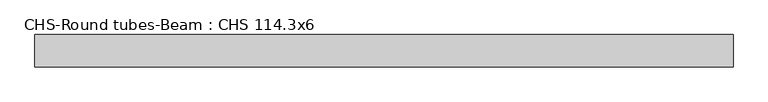
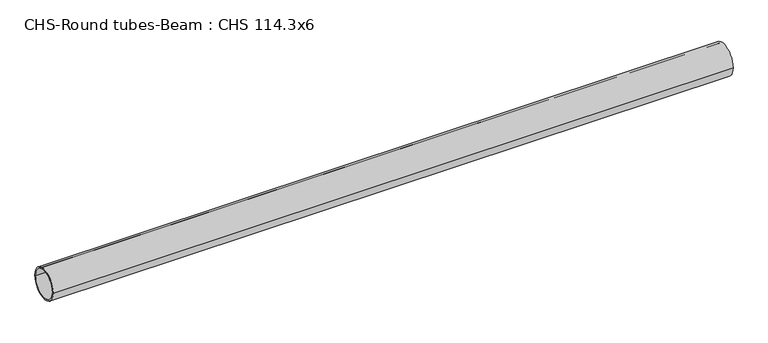
"""IFC4 building model written with IfcOpenShell, lengths in millimetres: beam geometry, CHS-Round tubes-Beam : CHS 114.3x6."""

import ifcopenshell
import ifcopenshell.guid

model = None  # the IFC model being written
_history = None  # IfcOwnerHistory: only IFC2X3 demands one
_inside = {}  # id of a spatial element -> (the spatial element, [elements in it])
_under = {}  # id of a project, library or spatial element -> (it, [spatial elements below it])
_declared = {}  # id of a project -> (the project, [libraries it declares])
_typed = {}  # id of a type object -> (the type object, [elements of that type])
_made_of = {}  # id of a material, layer set ... -> (it, [elements and type objects made of it])


def new_model(schema):
    """Start an empty IFC model of exactly this schema.

    Asked for "IFC4X3", IfcOpenShell would pick the latest addendum, in which some entities
    have other attributes; the version numbers below select the first issue.
    IFC2X3 requires an IfcOwnerHistory on every rooted entity: one is made here for all.
    """
    global model, _history
    if schema == "IFC4X3":
        model = ifcopenshell.file(schema_version=(4, 3, 0, 0))
    else:
        model = ifcopenshell.file(schema=schema)
    _inside.clear()
    _under.clear()
    _declared.clear()
    _typed.clear()
    _made_of.clear()
    _history = None
    if model.schema == "IFC2X3":
        org = make("IfcOrganization", Name="unknown")
        user = make(
            "IfcPersonAndOrganization",
            ThePerson=make("IfcPerson", FamilyName="unknown"),
            TheOrganization=org,
        )
        app = make(
            "IfcApplication",
            ApplicationDeveloper=org,
            Version="unknown",
            ApplicationFullName="unknown",
            ApplicationIdentifier="unknown",
        )
        _history = make(
            "IfcOwnerHistory",
            OwningUser=user,
            OwningApplication=app,
            ChangeAction="ADDED",
            CreationDate=0,
        )
    return model


def make(cls, **values):
    """One entity of the class cls with the attributes given. An attribute that is None is left unset."""
    return model.create_entity(
        cls, **{name: value for name, value in values.items() if value is not None}
    )


def rooted(cls, **values):
    """An entity with a GlobalId (a new one), such as an element, a storey or a relation."""
    return make(cls, GlobalId=ifcopenshell.guid.new(), OwnerHistory=_history, **values)


def si_unit(unit_type, name, prefix=None):
    """IfcSIUnit, for example si_unit("LENGTHUNIT", "METRE", prefix="MILLI")."""
    return make("IfcSIUnit", UnitType=unit_type, Prefix=prefix, Name=name)


def assignment(units):
    """IfcUnitAssignment: the units of a project."""
    return None if units is None else make("IfcUnitAssignment", Units=units)


def point(xyz):
    """IfcCartesianPoint."""
    return None if xyz is None else make("IfcCartesianPoint", Coordinates=xyz)


def direction(xyz):
    """IfcDirection."""
    return None if xyz is None else make("IfcDirection", DirectionRatios=xyz)


def frame(location, z_axis=None, x_axis=None):
    """IfcAxis2Placement3D, a coordinate frame: its origin and axes. An axis left out is left unset."""
    return make(
        "IfcAxis2Placement3D",
        Location=point(location),
        Axis=direction(z_axis),
        RefDirection=direction(x_axis),
    )


def frame_2d(location, x_axis=None):
    """IfcAxis2Placement2D, a coordinate frame in the plane: its origin and x axis."""
    return make(
        "IfcAxis2Placement2D", Location=point(location), RefDirection=direction(x_axis)
    )


def origin():
    """The frame at (0, 0, 0) with its axes left unset."""
    return frame((0.0, 0.0, 0.0))


def origin_2d():
    """The frame at (0, 0) in the plane with its x axis left unset."""
    return frame_2d((0.0, 0.0))


def place(relative_to, where):
    """IfcLocalPlacement: puts the frame where relative to a parent placement (None: the world)."""
    return make(
        "IfcLocalPlacement", PlacementRelTo=relative_to, RelativePlacement=where
    )


def context(
    kind, dimensions, precision=None, world=None, true_north=None, identifier=None
):
    """IfcGeometricRepresentationContext, for example the 3D "Model" context."""
    return make(
        "IfcGeometricRepresentationContext",
        ContextIdentifier=identifier,
        ContextType=kind,
        CoordinateSpaceDimension=dimensions,
        Precision=precision,
        WorldCoordinateSystem=world,
        TrueNorth=true_north,
    )


def project(units=None, contexts=None):
    """IfcProject with its units and contexts."""
    return rooted(
        "IfcProject",
        Name="project",
        RepresentationContexts=contexts,
        UnitsInContext=assignment(units),
    )


def spatial(cls, under=None, at=None, **own):
    """A site, building, storey or space (cls), placed at a placement, below another one or the project."""
    s = rooted(cls, ObjectPlacement=at, **own)
    if under is not None:
        _under.setdefault(under.id(), (under, []))[1].append(s)
    return s


def circle_curve(where, radius):
    """IfcCircle in the frame where."""
    return make("IfcCircle", Position=where, Radius=radius)


def trimmed(basis, trim1, trim2, sense, master):
    """IfcTrimmedCurve: the piece of a basis curve between two trims."""
    return make(
        "IfcTrimmedCurve",
        BasisCurve=basis,
        Trim1=trim1,
        Trim2=trim2,
        SenseAgreement=sense,
        MasterRepresentation=master,
    )


def segment(curve, same_sense, transition):
    """IfcCompositeCurveSegment."""
    return make(
        "IfcCompositeCurveSegment",
        Transition=transition,
        SameSense=same_sense,
        ParentCurve=curve,
    )


def composite_curve(segments, self_intersect=None):
    """IfcCompositeCurve: segments joined end to end."""
    return make("IfcCompositeCurve", Segments=segments, SelfIntersect=self_intersect)


def outline(outer, holes=None, kind="AREA"):
    """IfcArbitraryClosedProfileDef: a profile drawn as a closed curve; with holes, ...WithVoids."""
    if holes is None:
        return make("IfcArbitraryClosedProfileDef", ProfileType=kind, OuterCurve=outer)
    return make(
        "IfcArbitraryProfileDefWithVoids",
        ProfileType=kind,
        OuterCurve=outer,
        InnerCurves=holes,
    )


def extrude(swept, where, along, depth):
    """IfcExtrudedAreaSolid: the profile swept, set in the frame where, extruded along a direction by depth."""
    return make(
        "IfcExtrudedAreaSolid",
        SweptArea=swept,
        Position=where,
        ExtrudedDirection=direction(along),
        Depth=depth,
    )


def shape(context_of_items, identifier, shape_type, items):
    """IfcShapeRepresentation: the items that make up one representation, for example the "Body"."""
    return make(
        "IfcShapeRepresentation",
        ContextOfItems=context_of_items,
        RepresentationIdentifier=identifier,
        RepresentationType=shape_type,
        Items=items,
    )


def source(mapping_origin, context_of_items, identifier, shape_type, items):
    """IfcRepresentationMap: a shape defined once, which mapped items show again and again."""
    return make(
        "IfcRepresentationMap",
        MappingOrigin=mapping_origin,
        MappedRepresentation=shape(context_of_items, identifier, shape_type, items),
    )


def transform(
    local_origin,
    x_axis=None,
    y_axis=None,
    z_axis=None,
    scale=None,
    scale2=None,
    scale3=None,
    uniform=True,
):
    """IfcCartesianTransformationOperator3D, or its non-uniform kind. x_axis, y_axis, z_axis: its Axis1, 2, 3."""
    if uniform:
        return make(
            "IfcCartesianTransformationOperator3D",
            Axis1=direction(x_axis),
            Axis2=direction(y_axis),
            LocalOrigin=point(local_origin),
            Scale=scale,
            Axis3=direction(z_axis),
        )
    return make(
        "IfcCartesianTransformationOperator3DnonUniform",
        Axis1=direction(x_axis),
        Axis2=direction(y_axis),
        LocalOrigin=point(local_origin),
        Scale=scale,
        Axis3=direction(z_axis),
        Scale2=scale2,
        Scale3=scale3,
    )


def mapped(mapping_source, mapping_target):
    """IfcMappedItem: shows the shape of a source again, moved by a transform."""
    return make(
        "IfcMappedItem", MappingSource=mapping_source, MappingTarget=mapping_target
    )


def made_of(thing, what):
    """Note that an element or type object is made of a material, layer set ...; save() writes the relation."""
    if what is not None:
        _made_of.setdefault(what.id(), (what, []))[1].append(thing)
    return thing


def element(
    cls,
    number,
    at=None,
    inside=None,
    cuts=None,
    type_object=None,
    material=None,
    context=None,
    identifier="Body",
    shape_type=None,
    held_by="IfcProductDefinitionShape",
    body=None,
    shapes=None,
    **own,
):
    """One element of the class cls, such as IfcWall. Its Tag is "e" and its number.

    at: its placement. inside: the storey or other place that contains it. cuts: it is an
    opening in that element (IfcRelVoidsElement). A single representation is given by context,
    identifier, shape_type and body (its items); several are given by shapes. held_by: the class
    of the entity that holds the representations. save() writes the other relations.
    """
    e = rooted(cls, Tag="e%d" % number, ObjectPlacement=at, **own)
    if body is not None:
        shapes = [shape(context, identifier, shape_type, body)]
    if shapes is not None:
        e.Representation = make(held_by, Representations=shapes)
    if inside is not None:
        _inside.setdefault(inside.id(), (inside, []))[1].append(e)
    if cuts is not None:
        rooted(
            "IfcRelVoidsElement", RelatingBuildingElement=cuts, RelatedOpeningElement=e
        )
    if type_object is not None:
        _typed.setdefault(type_object.id(), (type_object, []))[1].append(e)
    return made_of(e, material)


def aggregate(whole, parts):
    """IfcRelAggregates: a whole, such as a stair, and the parts it consists of."""
    return rooted("IfcRelAggregates", RelatingObject=whole, RelatedObjects=parts)


def save(model, path):
    """Write the relations noted so far, then the file.

    IfcRelAggregates (storeys below a building ...), IfcRelContainedInSpatialStructure (elements
    in a storey), IfcRelDefinesByType, IfcRelAssociatesMaterial and IfcRelDeclares: one each for
    every whole, place, type object, material and project.
    """
    for whole, parts in _under.values():
        aggregate(whole, parts)
    for where, things in _inside.values():
        rooted(
            "IfcRelContainedInSpatialStructure",
            RelatedElements=things,
            RelatingStructure=where,
        )
    for kind, things in _typed.values():
        rooted("IfcRelDefinesByType", RelatedObjects=things, RelatingType=kind)
    for what, things in _made_of.values():
        rooted("IfcRelAssociatesMaterial", RelatedObjects=things, RelatingMaterial=what)
    for by, libraries in _declared.values():
        rooted("IfcRelDeclares", RelatingContext=by, RelatedDefinitions=libraries)
    model.write(path)


def chs_round_tubes_beam_chs_114_3x6_b33433c8(model_context):
    return source(origin(), model_context, "Body", "SweptSolid", [
        extrude(outline(composite_curve([segment(trimmed(circle_curve(origin_2d(), 57.15), [point((57.15, 0.0))], [point((-57.15, 0.0))], False, "CARTESIAN"), True, "CONTINUOUS"), segment(trimmed(circle_curve(origin_2d(), 57.15), [point((-57.15, 0.0))], [point((57.15, 0.0))], False, "CARTESIAN"), True, "CONTINUOUS")], self_intersect=False), holes=[composite_curve([segment(trimmed(circle_curve(origin_2d(), 51.15), [point((51.15, 0.0))], [point((-51.15, 0.0))], True, "CARTESIAN"), True, "CONTINUOUS"), segment(trimmed(circle_curve(origin_2d(), 51.15), [point((-51.15, 0.0))], [point((51.15, 0.0))], True, "CARTESIAN"), True, "CONTINUOUS")], self_intersect=False)]), frame((-1171.4611766, 0.0, 0.0), z_axis=(1.0, 0.0, 0.0), x_axis=(0.0, 1.0, 0.0)), (0.0, 0.0, 1.0), 2471.5122389),
    ])


if __name__ == "__main__":
    model = new_model("IFC4")
    model_context = context("Model", 3, world=origin())
    ifc_project = project(units=[si_unit("LENGTHUNIT", "METRE", prefix="MILLI")], contexts=[model_context])
    site = spatial("IfcSite", under=ifc_project)
    building = spatial("IfcBuilding", under=site)
    placement = place(None, origin())
    chs_round_tubes_beam_chs_114_3x6_shape = chs_round_tubes_beam_chs_114_3x6_b33433c8(model_context)
    element("IfcBeam", 1, ObjectType="CHS-Round tubes-Beam : CHS 114.3x6", at=placement, inside=building, context=model_context, shape_type="MappedRepresentation", body=[
        mapped(chs_round_tubes_beam_chs_114_3x6_shape, transform((0.0, 0.0, 0.0), x_axis=(1.0, 0.0, 0.0), y_axis=(0.0, 1.0, 0.0), z_axis=(0.0, 0.0, 1.0))),
    ])
    save(model, "model.ifc")
